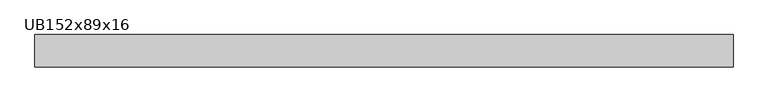
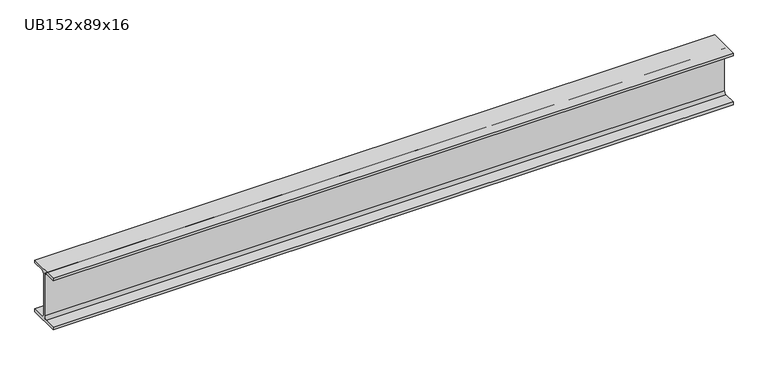
"""IFC4 building model written with IfcOpenShell, lengths in millimetres: beam geometry, UB152x89x16."""

from ifc_helpers import new_model, si_unit, point, frame, frame_2d, origin, place, context, project, spatial, polyline, circle_curve, trimmed, segment, composite_curve, outline, extrude, source, transform, mapped, element, save


def ub152x89x16_178ee87f(model_context):
    return source(origin(), model_context, "Body", "SweptSolid", [
        extrude(outline(composite_curve([segment(polyline([(44.35, -68.5), (44.35, -76.2), (-44.35, -76.2), (-44.35, -68.5), (-9.85, -68.5)]), True, "CONTINUOUS"), segment(trimmed(circle_curve(frame_2d((-9.85, -60.9)), 7.6), [point((-9.85, -68.5))], [point((-2.25, -60.9))], True, "CARTESIAN"), True, "CONTINUOUS"), segment(polyline([(-2.25, -60.9), (-2.25, 60.9)]), True, "CONTINUOUS"), segment(trimmed(circle_curve(frame_2d((-9.85, 60.9)), 7.6), [point((-2.25, 60.9))], [point((-9.85, 68.5))], True, "CARTESIAN"), True, "CONTINUOUS"), segment(polyline([(-9.85, 68.5), (-44.35, 68.5), (-44.35, 76.2), (44.35, 76.2), (44.35, 68.5), (9.85, 68.5)]), True, "CONTINUOUS"), segment(trimmed(circle_curve(frame_2d((9.85, 60.9)), 7.6), [point((9.85, 68.5))], [point((2.25, 60.9))], True, "CARTESIAN"), True, "CONTINUOUS"), segment(polyline([(2.25, 60.9), (2.25, -60.9)]), True, "CONTINUOUS"), segment(trimmed(circle_curve(frame_2d((9.85, -60.9)), 7.6), [point((2.25, -60.9))], [point((9.85, -68.5))], True, "CARTESIAN"), True, "CONTINUOUS"), segment(polyline([(9.85, -68.5), (44.35, -68.5)]), True, "CONTINUOUS")], self_intersect=False)), frame((-951.35, 0.0, 0.0), z_axis=(1.0, 0.0, 0.0), x_axis=(0.0, 1.0, 0.0)), (0.0, 0.0, 1.0), 1902.7),
    ])


if __name__ == "__main__":
    model = new_model("IFC4")
    model_context = context("Model", 3, world=origin())
    ifc_project = project(units=[si_unit("LENGTHUNIT", "METRE", prefix="MILLI")], contexts=[model_context])
    site = spatial("IfcSite", under=ifc_project)
    building = spatial("IfcBuilding", under=site)
    placement = place(None, origin())
    ub152x89x16_shape = ub152x89x16_178ee87f(model_context)
    element("IfcBeam", 1, ObjectType="UB152x89x16", at=placement, inside=building, context=model_context, shape_type="MappedRepresentation", body=[
        mapped(ub152x89x16_shape, transform((0.0, 0.0, 0.0), x_axis=(1.0, 0.0, 0.0), y_axis=(0.0, 1.0, 0.0), z_axis=(0.0, 0.0, 1.0))),
    ])
    save(model, "model.ifc")
